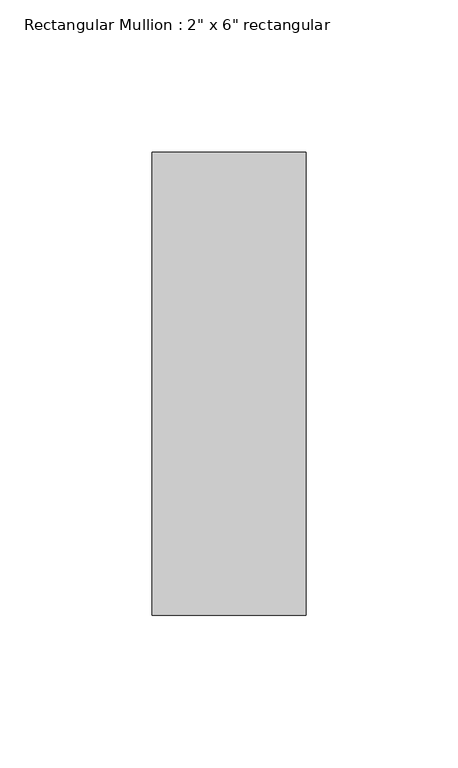
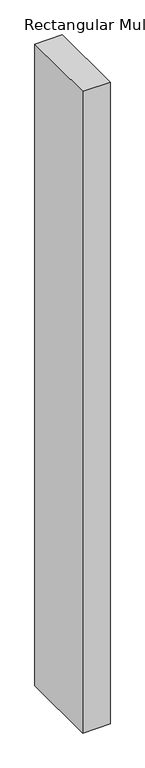
"""IFC4 building model written with IfcOpenShell, lengths in millimetres: member geometry."""

import ifcopenshell
import ifcopenshell.guid

model = None  # the IFC model being written
_history = None  # IfcOwnerHistory: only IFC2X3 demands one
_inside = {}  # id of a spatial element -> (the spatial element, [elements in it])
_under = {}  # id of a project, library or spatial element -> (it, [spatial elements below it])
_declared = {}  # id of a project -> (the project, [libraries it declares])
_typed = {}  # id of a type object -> (the type object, [elements of that type])
_made_of = {}  # id of a material, layer set ... -> (it, [elements and type objects made of it])


def new_model(schema):
    """Start an empty IFC model of exactly this schema.

    Asked for "IFC4X3", IfcOpenShell would pick the latest addendum, in which some entities
    have other attributes; the version numbers below select the first issue.
    IFC2X3 requires an IfcOwnerHistory on every rooted entity: one is made here for all.
    """
    global model, _history
    if schema == "IFC4X3":
        model = ifcopenshell.file(schema_version=(4, 3, 0, 0))
    else:
        model = ifcopenshell.file(schema=schema)
    _inside.clear()
    _under.clear()
    _declared.clear()
    _typed.clear()
    _made_of.clear()
    _history = None
    if model.schema == "IFC2X3":
        org = make("IfcOrganization", Name="unknown")
        user = make(
            "IfcPersonAndOrganization",
            ThePerson=make("IfcPerson", FamilyName="unknown"),
            TheOrganization=org,
        )
        app = make(
            "IfcApplication",
            ApplicationDeveloper=org,
            Version="unknown",
            ApplicationFullName="unknown",
            ApplicationIdentifier="unknown",
        )
        _history = make(
            "IfcOwnerHistory",
            OwningUser=user,
            OwningApplication=app,
            ChangeAction="ADDED",
            CreationDate=0,
        )
    return model


def make(cls, **values):
    """One entity of the class cls with the attributes given. An attribute that is None is left unset."""
    return model.create_entity(
        cls, **{name: value for name, value in values.items() if value is not None}
    )


def rooted(cls, **values):
    """An entity with a GlobalId (a new one), such as an element, a storey or a relation."""
    return make(cls, GlobalId=ifcopenshell.guid.new(), OwnerHistory=_history, **values)


def si_unit(unit_type, name, prefix=None):
    """IfcSIUnit, for example si_unit("LENGTHUNIT", "METRE", prefix="MILLI")."""
    return make("IfcSIUnit", UnitType=unit_type, Prefix=prefix, Name=name)


def assignment(units):
    """IfcUnitAssignment: the units of a project."""
    return None if units is None else make("IfcUnitAssignment", Units=units)


def point(xyz):
    """IfcCartesianPoint."""
    return None if xyz is None else make("IfcCartesianPoint", Coordinates=xyz)


def direction(xyz):
    """IfcDirection."""
    return None if xyz is None else make("IfcDirection", DirectionRatios=xyz)


def frame(location, z_axis=None, x_axis=None):
    """IfcAxis2Placement3D, a coordinate frame: its origin and axes. An axis left out is left unset."""
    return make(
        "IfcAxis2Placement3D",
        Location=point(location),
        Axis=direction(z_axis),
        RefDirection=direction(x_axis),
    )


def origin():
    """The frame at (0, 0, 0) with its axes left unset."""
    return frame((0.0, 0.0, 0.0))


def place(relative_to, where):
    """IfcLocalPlacement: puts the frame where relative to a parent placement (None: the world)."""
    return make(
        "IfcLocalPlacement", PlacementRelTo=relative_to, RelativePlacement=where
    )


def context(
    kind, dimensions, precision=None, world=None, true_north=None, identifier=None
):
    """IfcGeometricRepresentationContext, for example the 3D "Model" context."""
    return make(
        "IfcGeometricRepresentationContext",
        ContextIdentifier=identifier,
        ContextType=kind,
        CoordinateSpaceDimension=dimensions,
        Precision=precision,
        WorldCoordinateSystem=world,
        TrueNorth=true_north,
    )


def project(units=None, contexts=None):
    """IfcProject with its units and contexts."""
    return rooted(
        "IfcProject",
        Name="project",
        RepresentationContexts=contexts,
        UnitsInContext=assignment(units),
    )


def spatial(cls, under=None, at=None, **own):
    """A site, building, storey or space (cls), placed at a placement, below another one or the project."""
    s = rooted(cls, ObjectPlacement=at, **own)
    if under is not None:
        _under.setdefault(under.id(), (under, []))[1].append(s)
    return s


def polyline(points):
    """IfcPolyline through the points."""
    return make("IfcPolyline", Points=[point(p) for p in points])


def outline(outer, holes=None, kind="AREA"):
    """IfcArbitraryClosedProfileDef: a profile drawn as a closed curve; with holes, ...WithVoids."""
    if holes is None:
        return make("IfcArbitraryClosedProfileDef", ProfileType=kind, OuterCurve=outer)
    return make(
        "IfcArbitraryProfileDefWithVoids",
        ProfileType=kind,
        OuterCurve=outer,
        InnerCurves=holes,
    )


def extrude(swept, where, along, depth):
    """IfcExtrudedAreaSolid: the profile swept, set in the frame where, extruded along a direction by depth."""
    return make(
        "IfcExtrudedAreaSolid",
        SweptArea=swept,
        Position=where,
        ExtrudedDirection=direction(along),
        Depth=depth,
    )


def shape(context_of_items, identifier, shape_type, items):
    """IfcShapeRepresentation: the items that make up one representation, for example the "Body"."""
    return make(
        "IfcShapeRepresentation",
        ContextOfItems=context_of_items,
        RepresentationIdentifier=identifier,
        RepresentationType=shape_type,
        Items=items,
    )


def source(mapping_origin, context_of_items, identifier, shape_type, items):
    """IfcRepresentationMap: a shape defined once, which mapped items show again and again."""
    return make(
        "IfcRepresentationMap",
        MappingOrigin=mapping_origin,
        MappedRepresentation=shape(context_of_items, identifier, shape_type, items),
    )


def transform(
    local_origin,
    x_axis=None,
    y_axis=None,
    z_axis=None,
    scale=None,
    scale2=None,
    scale3=None,
    uniform=True,
):
    """IfcCartesianTransformationOperator3D, or its non-uniform kind. x_axis, y_axis, z_axis: its Axis1, 2, 3."""
    if uniform:
        return make(
            "IfcCartesianTransformationOperator3D",
            Axis1=direction(x_axis),
            Axis2=direction(y_axis),
            LocalOrigin=point(local_origin),
            Scale=scale,
            Axis3=direction(z_axis),
        )
    return make(
        "IfcCartesianTransformationOperator3DnonUniform",
        Axis1=direction(x_axis),
        Axis2=direction(y_axis),
        LocalOrigin=point(local_origin),
        Scale=scale,
        Axis3=direction(z_axis),
        Scale2=scale2,
        Scale3=scale3,
    )


def mapped(mapping_source, mapping_target):
    """IfcMappedItem: shows the shape of a source again, moved by a transform."""
    return make(
        "IfcMappedItem", MappingSource=mapping_source, MappingTarget=mapping_target
    )


def made_of(thing, what):
    """Note that an element or type object is made of a material, layer set ...; save() writes the relation."""
    if what is not None:
        _made_of.setdefault(what.id(), (what, []))[1].append(thing)
    return thing


def element(
    cls,
    number,
    at=None,
    inside=None,
    cuts=None,
    type_object=None,
    material=None,
    context=None,
    identifier="Body",
    shape_type=None,
    held_by="IfcProductDefinitionShape",
    body=None,
    shapes=None,
    **own,
):
    """One element of the class cls, such as IfcWall. Its Tag is "e" and its number.

    at: its placement. inside: the storey or other place that contains it. cuts: it is an
    opening in that element (IfcRelVoidsElement). A single representation is given by context,
    identifier, shape_type and body (its items); several are given by shapes. held_by: the class
    of the entity that holds the representations. save() writes the other relations.
    """
    e = rooted(cls, Tag="e%d" % number, ObjectPlacement=at, **own)
    if body is not None:
        shapes = [shape(context, identifier, shape_type, body)]
    if shapes is not None:
        e.Representation = make(held_by, Representations=shapes)
    if inside is not None:
        _inside.setdefault(inside.id(), (inside, []))[1].append(e)
    if cuts is not None:
        rooted(
            "IfcRelVoidsElement", RelatingBuildingElement=cuts, RelatedOpeningElement=e
        )
    if type_object is not None:
        _typed.setdefault(type_object.id(), (type_object, []))[1].append(e)
    return made_of(e, material)


def aggregate(whole, parts):
    """IfcRelAggregates: a whole, such as a stair, and the parts it consists of."""
    return rooted("IfcRelAggregates", RelatingObject=whole, RelatedObjects=parts)


def save(model, path):
    """Write the relations noted so far, then the file.

    IfcRelAggregates (storeys below a building ...), IfcRelContainedInSpatialStructure (elements
    in a storey), IfcRelDefinesByType, IfcRelAssociatesMaterial and IfcRelDeclares: one each for
    every whole, place, type object, material and project.
    """
    for whole, parts in _under.values():
        aggregate(whole, parts)
    for where, things in _inside.values():
        rooted(
            "IfcRelContainedInSpatialStructure",
            RelatedElements=things,
            RelatingStructure=where,
        )
    for kind, things in _typed.values():
        rooted("IfcRelDefinesByType", RelatedObjects=things, RelatingType=kind)
    for what, things in _made_of.values():
        rooted("IfcRelAssociatesMaterial", RelatedObjects=things, RelatingMaterial=what)
    for by, libraries in _declared.values():
        rooted("IfcRelDeclares", RelatingContext=by, RelatedDefinitions=libraries)
    model.write(path)


def member_84c5b8a3(model_context):
    return source(origin(), model_context, "Body", "SweptSolid", [
        extrude(outline(polyline([(0.0, 76.2), (0.0, -76.2), (-50.8, -76.2), (-50.8, 76.2), (0.0, 76.2)])), frame((0.0, 0.0, -1253.0666667), z_axis=(0.0, 0.0, 1.0), x_axis=(1.0, 0.0, 0.0)), (0.0, 0.0, 1.0), 1253.0666667),
    ])


if __name__ == "__main__":
    model = new_model("IFC4")
    model_context = context("Model", 3, world=origin())
    ifc_project = project(units=[si_unit("LENGTHUNIT", "METRE", prefix="MILLI")], contexts=[model_context])
    site = spatial("IfcSite", under=ifc_project)
    building = spatial("IfcBuilding", under=site)
    placement = place(None, origin())
    member_shape = member_84c5b8a3(model_context)
    element("IfcMember", 1, ObjectType="Rectangular Mullion : 2\" x 6\" rectangular", at=placement, inside=building, context=model_context, shape_type="MappedRepresentation", body=[
        mapped(member_shape, transform((0.0, 0.0, 0.0), x_axis=(1.0, 0.0, 0.0), y_axis=(0.0, 1.0, 0.0), z_axis=(0.0, 0.0, 1.0))),
    ])
    save(model, "model.ifc")
